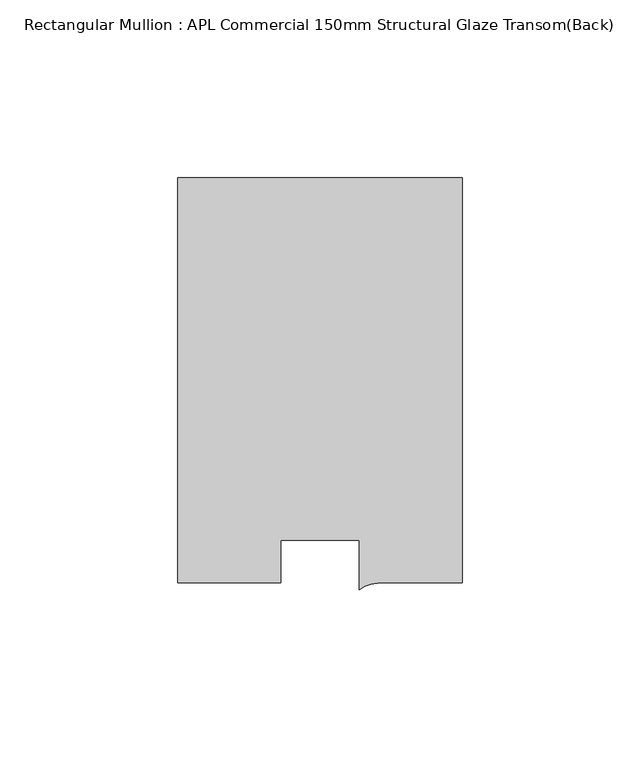
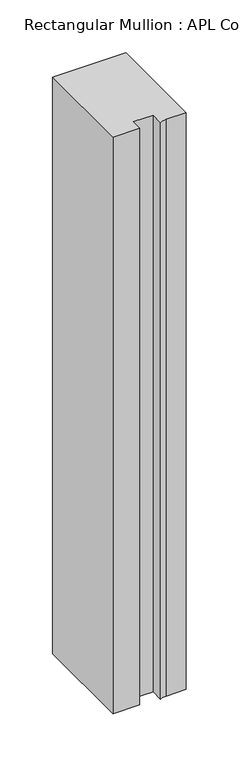
"""IFC4 building model written with IfcOpenShell, lengths in millimetres: member geometry, Rectangular Mullion : APL Commercial 150mm Structural Glaze Transom(Back)."""

from ifc_helpers import new_model, si_unit, point, frame, frame_2d, origin, place, context, project, spatial, polyline, circle_curve, trimmed, segment, composite_curve, outline, extrude, source, transform, mapped, element, save


def rectangular_mullion_apl_commercial_150mm_structural_glaze_2e258654(model_context):
    return source(origin(), model_context, "Body", "SweptSolid", [
        extrude(outline(composite_curve([segment(polyline([(40.0, 128.9999975), (40.0, 15.0000829), (17.9999542, 15.0000829)]), True, "CONTINUOUS"), segment(trimmed(circle_curve(frame_2d((17.1097719, 4.581653)), 10.4563907), [point((17.9999542, 15.0000829))], [point((11.0000151, 13.0673455))], True, "CARTESIAN"), True, "CONTINUOUS"), segment(polyline([(11.0000151, 13.0673455), (11.0000151, 27.0), (-11.0000151, 27.0), (-11.0000151, 15.0000829), (-40.0, 15.0000829), (-40.0, 128.9999975), (40.0, 128.9999975)]), True, "CONTINUOUS")], self_intersect=False)), frame((0.0, 0.0, -666.0250258), z_axis=(0.0, 0.0, 1.0), x_axis=(1.0, 0.0, 0.0)), (0.0, 0.0, 1.0), 666.0250258),
    ])


if __name__ == "__main__":
    model = new_model("IFC4")
    model_context = context("Model", 3, world=origin())
    ifc_project = project(units=[si_unit("LENGTHUNIT", "METRE", prefix="MILLI")], contexts=[model_context])
    site = spatial("IfcSite", under=ifc_project)
    building = spatial("IfcBuilding", under=site)
    placement = place(None, origin())
    rectangular_mullion_apl_commercial_150mm_structural_glaze_shape = rectangular_mullion_apl_commercial_150mm_structural_glaze_2e258654(model_context)
    element("IfcMember", 1, ObjectType="Rectangular Mullion : APL Commercial 150mm Structural Glaze Transom(Back)", at=placement, inside=building, context=model_context, shape_type="MappedRepresentation", body=[
        mapped(rectangular_mullion_apl_commercial_150mm_structural_glaze_shape, transform((0.0, 0.0, 0.0), x_axis=(1.0, 0.0, 0.0), y_axis=(0.0, 1.0, 0.0), z_axis=(0.0, 0.0, 1.0))),
    ])
    save(model, "model.ifc")
